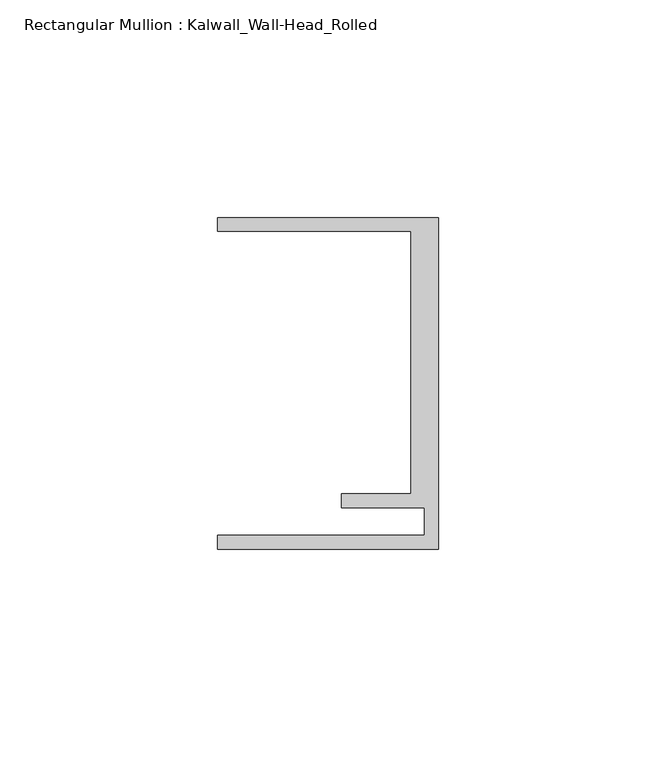
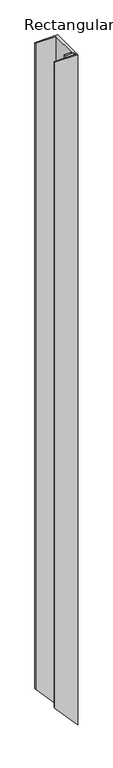
"""IFC4 building model written with IfcOpenShell, lengths in millimetres: member geometry, Rectangular Mullion : Kalwall_Wall-Head_Rolled."""

import ifcopenshell
import ifcopenshell.guid

model = None  # the IFC model being written
_history = None  # IfcOwnerHistory: only IFC2X3 demands one
_inside = {}  # id of a spatial element -> (the spatial element, [elements in it])
_under = {}  # id of a project, library or spatial element -> (it, [spatial elements below it])
_declared = {}  # id of a project -> (the project, [libraries it declares])
_typed = {}  # id of a type object -> (the type object, [elements of that type])
_made_of = {}  # id of a material, layer set ... -> (it, [elements and type objects made of it])


def new_model(schema):
    """Start an empty IFC model of exactly this schema.

    Asked for "IFC4X3", IfcOpenShell would pick the latest addendum, in which some entities
    have other attributes; the version numbers below select the first issue.
    IFC2X3 requires an IfcOwnerHistory on every rooted entity: one is made here for all.
    """
    global model, _history
    if schema == "IFC4X3":
        model = ifcopenshell.file(schema_version=(4, 3, 0, 0))
    else:
        model = ifcopenshell.file(schema=schema)
    _inside.clear()
    _under.clear()
    _declared.clear()
    _typed.clear()
    _made_of.clear()
    _history = None
    if model.schema == "IFC2X3":
        org = make("IfcOrganization", Name="unknown")
        user = make(
            "IfcPersonAndOrganization",
            ThePerson=make("IfcPerson", FamilyName="unknown"),
            TheOrganization=org,
        )
        app = make(
            "IfcApplication",
            ApplicationDeveloper=org,
            Version="unknown",
            ApplicationFullName="unknown",
            ApplicationIdentifier="unknown",
        )
        _history = make(
            "IfcOwnerHistory",
            OwningUser=user,
            OwningApplication=app,
            ChangeAction="ADDED",
            CreationDate=0,
        )
    return model


def make(cls, **values):
    """One entity of the class cls with the attributes given. An attribute that is None is left unset."""
    return model.create_entity(
        cls, **{name: value for name, value in values.items() if value is not None}
    )


def rooted(cls, **values):
    """An entity with a GlobalId (a new one), such as an element, a storey or a relation."""
    return make(cls, GlobalId=ifcopenshell.guid.new(), OwnerHistory=_history, **values)


def si_unit(unit_type, name, prefix=None):
    """IfcSIUnit, for example si_unit("LENGTHUNIT", "METRE", prefix="MILLI")."""
    return make("IfcSIUnit", UnitType=unit_type, Prefix=prefix, Name=name)


def assignment(units):
    """IfcUnitAssignment: the units of a project."""
    return None if units is None else make("IfcUnitAssignment", Units=units)


def point(xyz):
    """IfcCartesianPoint."""
    return None if xyz is None else make("IfcCartesianPoint", Coordinates=xyz)


def direction(xyz):
    """IfcDirection."""
    return None if xyz is None else make("IfcDirection", DirectionRatios=xyz)


def frame(location, z_axis=None, x_axis=None):
    """IfcAxis2Placement3D, a coordinate frame: its origin and axes. An axis left out is left unset."""
    return make(
        "IfcAxis2Placement3D",
        Location=point(location),
        Axis=direction(z_axis),
        RefDirection=direction(x_axis),
    )


def origin():
    """The frame at (0, 0, 0) with its axes left unset."""
    return frame((0.0, 0.0, 0.0))


def place(relative_to, where):
    """IfcLocalPlacement: puts the frame where relative to a parent placement (None: the world)."""
    return make(
        "IfcLocalPlacement", PlacementRelTo=relative_to, RelativePlacement=where
    )


def context(
    kind, dimensions, precision=None, world=None, true_north=None, identifier=None
):
    """IfcGeometricRepresentationContext, for example the 3D "Model" context."""
    return make(
        "IfcGeometricRepresentationContext",
        ContextIdentifier=identifier,
        ContextType=kind,
        CoordinateSpaceDimension=dimensions,
        Precision=precision,
        WorldCoordinateSystem=world,
        TrueNorth=true_north,
    )


def project(units=None, contexts=None):
    """IfcProject with its units and contexts."""
    return rooted(
        "IfcProject",
        Name="project",
        RepresentationContexts=contexts,
        UnitsInContext=assignment(units),
    )


def spatial(cls, under=None, at=None, **own):
    """A site, building, storey or space (cls), placed at a placement, below another one or the project."""
    s = rooted(cls, ObjectPlacement=at, **own)
    if under is not None:
        _under.setdefault(under.id(), (under, []))[1].append(s)
    return s


def faces_of(points, faces, orient=None, outer=None):
    """IfcFace entities. A face is a list of loops; a loop is a list of indices into points, from 0.

    orient and outer hold one flag for each loop. By default every Orientation is true, the
    first loop of a face is its IfcFaceOuterBound and the others are IfcFaceBound.
    """
    made = []
    for i, loops in enumerate(faces):
        bounds = []
        for j, loop in enumerate(loops):
            is_outer = j == 0 if outer is None else outer[i][j]
            bounds.append(
                make(
                    "IfcFaceOuterBound" if is_outer else "IfcFaceBound",
                    Bound=make("IfcPolyLoop", Polygon=[points[k] for k in loop]),
                    Orientation=True if orient is None else orient[i][j],
                )
            )
        made.append(make("IfcFace", Bounds=bounds))
    return made


def faceted_brep(points, faces, orient=None, outer=None, voids=None):
    """IfcFacetedBrep: a solid bounded by flat faces; with voids (closed shells), ...WithVoids."""
    shared = [point(p) for p in points]
    hull = make("IfcClosedShell", CfsFaces=faces_of(shared, faces, orient, outer))
    if voids is None:
        return make("IfcFacetedBrep", Outer=hull)
    return make(
        "IfcFacetedBrepWithVoids",
        Outer=hull,
        Voids=[
            make(cls, CfsFaces=faces_of(shared, fs, o, b)) for cls, fs, o, b in voids
        ],
    )


def shape(context_of_items, identifier, shape_type, items):
    """IfcShapeRepresentation: the items that make up one representation, for example the "Body"."""
    return make(
        "IfcShapeRepresentation",
        ContextOfItems=context_of_items,
        RepresentationIdentifier=identifier,
        RepresentationType=shape_type,
        Items=items,
    )


def source(mapping_origin, context_of_items, identifier, shape_type, items):
    """IfcRepresentationMap: a shape defined once, which mapped items show again and again."""
    return make(
        "IfcRepresentationMap",
        MappingOrigin=mapping_origin,
        MappedRepresentation=shape(context_of_items, identifier, shape_type, items),
    )


def transform(
    local_origin,
    x_axis=None,
    y_axis=None,
    z_axis=None,
    scale=None,
    scale2=None,
    scale3=None,
    uniform=True,
):
    """IfcCartesianTransformationOperator3D, or its non-uniform kind. x_axis, y_axis, z_axis: its Axis1, 2, 3."""
    if uniform:
        return make(
            "IfcCartesianTransformationOperator3D",
            Axis1=direction(x_axis),
            Axis2=direction(y_axis),
            LocalOrigin=point(local_origin),
            Scale=scale,
            Axis3=direction(z_axis),
        )
    return make(
        "IfcCartesianTransformationOperator3DnonUniform",
        Axis1=direction(x_axis),
        Axis2=direction(y_axis),
        LocalOrigin=point(local_origin),
        Scale=scale,
        Axis3=direction(z_axis),
        Scale2=scale2,
        Scale3=scale3,
    )


def mapped(mapping_source, mapping_target):
    """IfcMappedItem: shows the shape of a source again, moved by a transform."""
    return make(
        "IfcMappedItem", MappingSource=mapping_source, MappingTarget=mapping_target
    )


def made_of(thing, what):
    """Note that an element or type object is made of a material, layer set ...; save() writes the relation."""
    if what is not None:
        _made_of.setdefault(what.id(), (what, []))[1].append(thing)
    return thing


def element(
    cls,
    number,
    at=None,
    inside=None,
    cuts=None,
    type_object=None,
    material=None,
    context=None,
    identifier="Body",
    shape_type=None,
    held_by="IfcProductDefinitionShape",
    body=None,
    shapes=None,
    **own,
):
    """One element of the class cls, such as IfcWall. Its Tag is "e" and its number.

    at: its placement. inside: the storey or other place that contains it. cuts: it is an
    opening in that element (IfcRelVoidsElement). A single representation is given by context,
    identifier, shape_type and body (its items); several are given by shapes. held_by: the class
    of the entity that holds the representations. save() writes the other relations.
    """
    e = rooted(cls, Tag="e%d" % number, ObjectPlacement=at, **own)
    if body is not None:
        shapes = [shape(context, identifier, shape_type, body)]
    if shapes is not None:
        e.Representation = make(held_by, Representations=shapes)
    if inside is not None:
        _inside.setdefault(inside.id(), (inside, []))[1].append(e)
    if cuts is not None:
        rooted(
            "IfcRelVoidsElement", RelatingBuildingElement=cuts, RelatedOpeningElement=e
        )
    if type_object is not None:
        _typed.setdefault(type_object.id(), (type_object, []))[1].append(e)
    return made_of(e, material)


def aggregate(whole, parts):
    """IfcRelAggregates: a whole, such as a stair, and the parts it consists of."""
    return rooted("IfcRelAggregates", RelatingObject=whole, RelatedObjects=parts)


def save(model, path):
    """Write the relations noted so far, then the file.

    IfcRelAggregates (storeys below a building ...), IfcRelContainedInSpatialStructure (elements
    in a storey), IfcRelDefinesByType, IfcRelAssociatesMaterial and IfcRelDeclares: one each for
    every whole, place, type object, material and project.
    """
    for whole, parts in _under.values():
        aggregate(whole, parts)
    for where, things in _inside.values():
        rooted(
            "IfcRelContainedInSpatialStructure",
            RelatedElements=things,
            RelatingStructure=where,
        )
    for kind, things in _typed.values():
        rooted("IfcRelDefinesByType", RelatedObjects=things, RelatingType=kind)
    for what, things in _made_of.values():
        rooted("IfcRelAssociatesMaterial", RelatedObjects=things, RelatingMaterial=what)
    for by, libraries in _declared.values():
        rooted("IfcRelDeclares", RelatingContext=by, RelatedDefinitions=libraries)
    model.write(path)


def rectangular_mullion_kalwall_wall_head_rolled_39316be6(model_context):
    return source(origin(), model_context, "Body", "Brep", [
        faceted_brep([(-50.8, 38.0270489, 0.0), (0.0, 38.0270489, 0.0), (0.0, 38.0270489, -1564.3994749), (-50.8, 38.0270489, -1507.4453616), (-50.8, 34.8520489, 0.0), (-50.8, 34.8520489, -1507.4453616), (-6.35, 34.8520489, 0.0), (-6.35, 34.8520489, -1557.2802107), (-6.35, -25.4729511, 0.0), (-6.35, -25.4729511, -1557.2802107), (-22.225, -25.4729511, 0.0), (-22.225, -25.4729511, -1539.4820503), (-22.225, -28.6479511, 0.0), (-22.225, -28.6479511, -1539.4820503), (-3.175, -28.6479511, 0.0), (-3.175, -28.6479511, -1560.8398428), (-3.175, -34.9979511, 0.0), (-3.175, -34.9979511, -1560.8398428), (-50.8, -34.9979511, 0.0), (-50.8, -34.9979511, -1507.4453616), (-50.8, -38.1729511, 0.0), (-50.8, -38.1729511, -1507.4453616), (0.0, -38.1729511, 0.0), (0.0, -38.1729511, -1564.3994749)], [[[0, 1, 2, 3]], [[4, 0, 3, 5]], [[6, 4, 5, 7]], [[8, 6, 7, 9]], [[10, 8, 9, 11]], [[12, 10, 11, 13]], [[14, 12, 13, 15]], [[16, 14, 15, 17]], [[18, 16, 17, 19]], [[20, 18, 19, 21]], [[22, 20, 21, 23]], [[1, 22, 23, 2]], [[1, 0, 4, 6, 8, 10, 12, 14, 16, 18, 20, 22]], [[2, 23, 21, 19, 17, 15, 13, 11, 9, 7, 5, 3]]]),
    ])


if __name__ == "__main__":
    model = new_model("IFC4")
    model_context = context("Model", 3, world=origin())
    ifc_project = project(units=[si_unit("LENGTHUNIT", "METRE", prefix="MILLI")], contexts=[model_context])
    site = spatial("IfcSite", under=ifc_project)
    building = spatial("IfcBuilding", under=site)
    placement = place(None, origin())
    rectangular_mullion_kalwall_wall_head_rolled_shape = rectangular_mullion_kalwall_wall_head_rolled_39316be6(model_context)
    element("IfcMember", 1, ObjectType="Rectangular Mullion : Kalwall_Wall-Head_Rolled", at=placement, inside=building, context=model_context, shape_type="MappedRepresentation", body=[
        mapped(rectangular_mullion_kalwall_wall_head_rolled_shape, transform((0.0, 0.0, 0.0), x_axis=(1.0, 0.0, 0.0), y_axis=(0.0, 1.0, 0.0), z_axis=(0.0, 0.0, 1.0))),
    ])
    save(model, "model.ifc")
